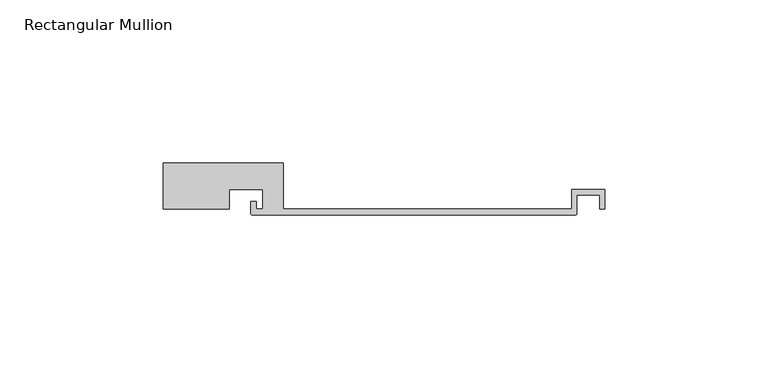
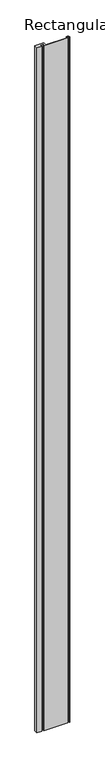
"""IFC4 building model written with IfcOpenShell, lengths in millimetres: member geometry, Rectangular Mullion."""

from ifc_helpers import new_model, si_unit, point, frame, frame_2d, origin, place, context, project, spatial, polyline, circle_curve, trimmed, segment, composite_curve, outline, extrude, source, transform, mapped, element, save


def rectangular_mullion_4acad7e6(model_context):
    return source(origin(), model_context, "Body", "SweptSolid", [
        extrude(outline(composite_curve([segment(polyline([(-90.0, -14.2), (-90.0, 0.0), (-53.2, 0.0), (-53.2, -14.2), (35.3, -14.2), (35.3, -8.2), (45.5, -8.2), (45.5, -14.2), (43.9, -14.2), (43.9, -9.8), (36.9, -9.8), (36.9, -15.5)]), True, "CONTINUOUS"), segment(trimmed(circle_curve(frame_2d((36.4, -15.5)), 0.5), [point((36.9, -15.5))], [point((36.4, -16.0))], False, "CARTESIAN"), True, "CONTINUOUS"), segment(polyline([(36.4, -16.0), (-62.6, -16.0)]), True, "CONTINUOUS"), segment(trimmed(circle_curve(frame_2d((-62.6, -15.5)), 0.5), [point((-62.6, -16.0))], [point((-63.1, -15.5))], False, "CARTESIAN"), True, "CONTINUOUS"), segment(polyline([(-63.1, -15.5), (-63.1, -11.8), (-61.5, -11.8), (-61.5, -14.2), (-59.5, -14.2), (-59.5, -8.2), (-69.7, -8.2), (-69.7, -14.2), (-90.0, -14.2)]), True, "CONTINUOUS")], self_intersect=False)), frame((0.0, 0.0, -3000.0), z_axis=(0.0, 0.0, 1.0), x_axis=(1.0, 0.0, 0.0)), (0.0, 0.0, 1.0), 3000.0),
    ])


if __name__ == "__main__":
    model = new_model("IFC4")
    model_context = context("Model", 3, world=origin())
    ifc_project = project(units=[si_unit("LENGTHUNIT", "METRE", prefix="MILLI")], contexts=[model_context])
    site = spatial("IfcSite", under=ifc_project)
    building = spatial("IfcBuilding", under=site)
    placement = place(None, origin())
    rectangular_mullion_shape = rectangular_mullion_4acad7e6(model_context)
    element("IfcMember", 1, ObjectType="Rectangular Mullion", at=placement, inside=building, context=model_context, shape_type="MappedRepresentation", body=[
        mapped(rectangular_mullion_shape, transform((0.0, 0.0, 0.0), x_axis=(1.0, 0.0, 0.0), y_axis=(0.0, 1.0, 0.0), z_axis=(0.0, 0.0, 1.0))),
    ])
    save(model, "model.ifc")
